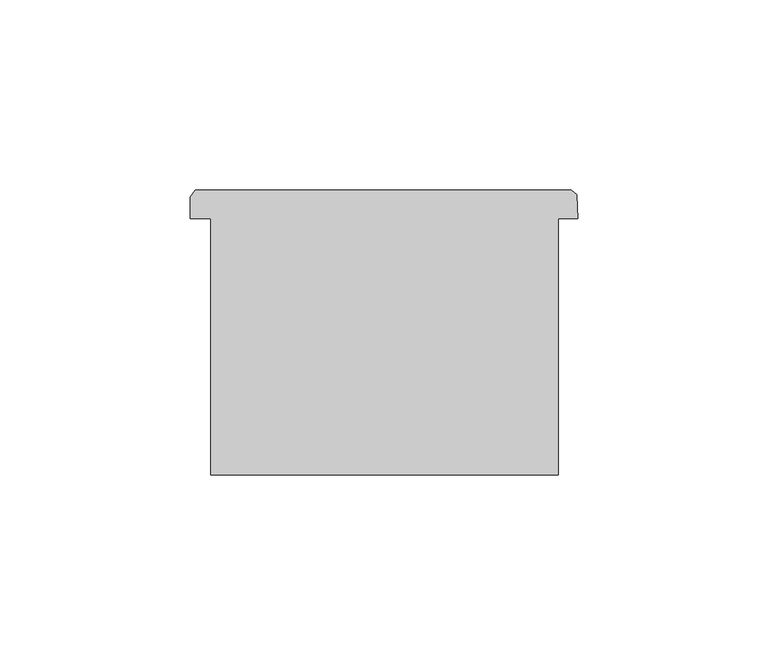
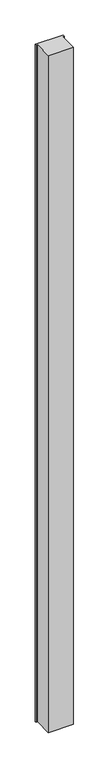
"""IFC4 building model written with IfcOpenShell, lengths in millimetres: column geometry."""

from ifc_helpers import new_model, si_unit, frame, origin, place, context, project, spatial, polyline, outline, extrude, source, transform, mapped, element, save


def column_fb43346a(model_context):
    return source(origin(), model_context, "Body", "SweptSolid", [
        extrude(outline(polyline([(51717.627705, -53318.748582), (51712.5334556, -53318.748582), (51712.5334556, -53386.0375), (51621.3266022, -53386.0375), (51621.3266022, -53318.748582), (51616.027705, -53318.748582), (51616.027705, -53313.049711), (51617.2617386, -53311.282379), (51715.9844012, -53311.282379), (51717.4726888, -53312.361371), (51717.627705, -53318.748582)])), frame((0.0, 0.0, 4419.602032), z_axis=(0.0, 0.0, 1.0), x_axis=(1.0, 0.0, 0.0)), (0.0, 0.0, 1.0), 2590.8000818),
        extrude(outline(polyline([(51717.627705, -53318.748582), (51712.5334556, -53318.748582), (51712.5334556, -53386.0375), (51621.3266022, -53386.0375), (51621.3266022, -53318.748582), (51616.027705, -53318.748582), (51616.027705, -53313.049711), (51617.2617386, -53311.282379), (51715.9844012, -53311.282379), (51717.4726888, -53312.361371), (51717.627705, -53318.748582)])), frame((0.0, 0.0, 4419.602032), z_axis=(0.0, 0.0, 1.0), x_axis=(1.0, 0.0, 0.0)), (0.0, 0.0, 1.0), 2590.8000818),
    ])


if __name__ == "__main__":
    model = new_model("IFC4")
    model_context = context("Model", 3, world=origin())
    ifc_project = project(units=[si_unit("LENGTHUNIT", "METRE", prefix="MILLI")], contexts=[model_context])
    site = spatial("IfcSite", under=ifc_project)
    building = spatial("IfcBuilding", under=site)
    placement = place(None, origin())
    column_shape = column_fb43346a(model_context)
    element("IfcColumn", 1, at=placement, inside=building, context=model_context, shape_type="MappedRepresentation", body=[
        mapped(column_shape, transform((0.0, 0.0, 0.0), x_axis=(1.0, 0.0, 0.0), y_axis=(0.0, 1.0, 0.0), z_axis=(0.0, 0.0, 1.0))),
    ])
    save(model, "model.ifc")
